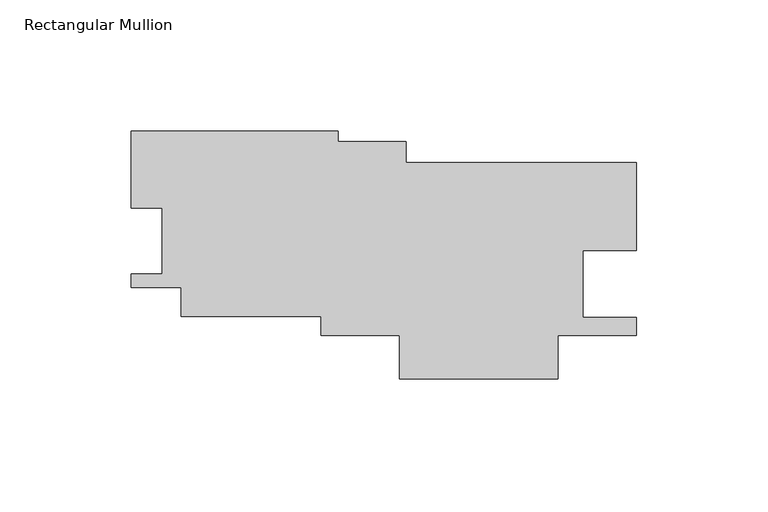
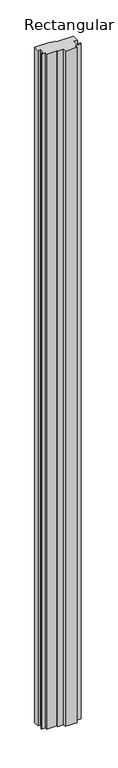
"""IFC4 building model written with IfcOpenShell, lengths in millimetres: member geometry, Rectangular Mullion."""

import ifcopenshell
import ifcopenshell.guid

model = None  # the IFC model being written
_history = None  # IfcOwnerHistory: only IFC2X3 demands one
_inside = {}  # id of a spatial element -> (the spatial element, [elements in it])
_under = {}  # id of a project, library or spatial element -> (it, [spatial elements below it])
_declared = {}  # id of a project -> (the project, [libraries it declares])
_typed = {}  # id of a type object -> (the type object, [elements of that type])
_made_of = {}  # id of a material, layer set ... -> (it, [elements and type objects made of it])


def new_model(schema):
    """Start an empty IFC model of exactly this schema.

    Asked for "IFC4X3", IfcOpenShell would pick the latest addendum, in which some entities
    have other attributes; the version numbers below select the first issue.
    IFC2X3 requires an IfcOwnerHistory on every rooted entity: one is made here for all.
    """
    global model, _history
    if schema == "IFC4X3":
        model = ifcopenshell.file(schema_version=(4, 3, 0, 0))
    else:
        model = ifcopenshell.file(schema=schema)
    _inside.clear()
    _under.clear()
    _declared.clear()
    _typed.clear()
    _made_of.clear()
    _history = None
    if model.schema == "IFC2X3":
        org = make("IfcOrganization", Name="unknown")
        user = make(
            "IfcPersonAndOrganization",
            ThePerson=make("IfcPerson", FamilyName="unknown"),
            TheOrganization=org,
        )
        app = make(
            "IfcApplication",
            ApplicationDeveloper=org,
            Version="unknown",
            ApplicationFullName="unknown",
            ApplicationIdentifier="unknown",
        )
        _history = make(
            "IfcOwnerHistory",
            OwningUser=user,
            OwningApplication=app,
            ChangeAction="ADDED",
            CreationDate=0,
        )
    return model


def make(cls, **values):
    """One entity of the class cls with the attributes given. An attribute that is None is left unset."""
    return model.create_entity(
        cls, **{name: value for name, value in values.items() if value is not None}
    )


def rooted(cls, **values):
    """An entity with a GlobalId (a new one), such as an element, a storey or a relation."""
    return make(cls, GlobalId=ifcopenshell.guid.new(), OwnerHistory=_history, **values)


def si_unit(unit_type, name, prefix=None):
    """IfcSIUnit, for example si_unit("LENGTHUNIT", "METRE", prefix="MILLI")."""
    return make("IfcSIUnit", UnitType=unit_type, Prefix=prefix, Name=name)


def assignment(units):
    """IfcUnitAssignment: the units of a project."""
    return None if units is None else make("IfcUnitAssignment", Units=units)


def point(xyz):
    """IfcCartesianPoint."""
    return None if xyz is None else make("IfcCartesianPoint", Coordinates=xyz)


def direction(xyz):
    """IfcDirection."""
    return None if xyz is None else make("IfcDirection", DirectionRatios=xyz)


def frame(location, z_axis=None, x_axis=None):
    """IfcAxis2Placement3D, a coordinate frame: its origin and axes. An axis left out is left unset."""
    return make(
        "IfcAxis2Placement3D",
        Location=point(location),
        Axis=direction(z_axis),
        RefDirection=direction(x_axis),
    )


def origin():
    """The frame at (0, 0, 0) with its axes left unset."""
    return frame((0.0, 0.0, 0.0))


def place(relative_to, where):
    """IfcLocalPlacement: puts the frame where relative to a parent placement (None: the world)."""
    return make(
        "IfcLocalPlacement", PlacementRelTo=relative_to, RelativePlacement=where
    )


def context(
    kind, dimensions, precision=None, world=None, true_north=None, identifier=None
):
    """IfcGeometricRepresentationContext, for example the 3D "Model" context."""
    return make(
        "IfcGeometricRepresentationContext",
        ContextIdentifier=identifier,
        ContextType=kind,
        CoordinateSpaceDimension=dimensions,
        Precision=precision,
        WorldCoordinateSystem=world,
        TrueNorth=true_north,
    )


def project(units=None, contexts=None):
    """IfcProject with its units and contexts."""
    return rooted(
        "IfcProject",
        Name="project",
        RepresentationContexts=contexts,
        UnitsInContext=assignment(units),
    )


def spatial(cls, under=None, at=None, **own):
    """A site, building, storey or space (cls), placed at a placement, below another one or the project."""
    s = rooted(cls, ObjectPlacement=at, **own)
    if under is not None:
        _under.setdefault(under.id(), (under, []))[1].append(s)
    return s


def polyline(points):
    """IfcPolyline through the points."""
    return make("IfcPolyline", Points=[point(p) for p in points])


def outline(outer, holes=None, kind="AREA"):
    """IfcArbitraryClosedProfileDef: a profile drawn as a closed curve; with holes, ...WithVoids."""
    if holes is None:
        return make("IfcArbitraryClosedProfileDef", ProfileType=kind, OuterCurve=outer)
    return make(
        "IfcArbitraryProfileDefWithVoids",
        ProfileType=kind,
        OuterCurve=outer,
        InnerCurves=holes,
    )


def extrude(swept, where, along, depth):
    """IfcExtrudedAreaSolid: the profile swept, set in the frame where, extruded along a direction by depth."""
    return make(
        "IfcExtrudedAreaSolid",
        SweptArea=swept,
        Position=where,
        ExtrudedDirection=direction(along),
        Depth=depth,
    )


def shape(context_of_items, identifier, shape_type, items):
    """IfcShapeRepresentation: the items that make up one representation, for example the "Body"."""
    return make(
        "IfcShapeRepresentation",
        ContextOfItems=context_of_items,
        RepresentationIdentifier=identifier,
        RepresentationType=shape_type,
        Items=items,
    )


def source(mapping_origin, context_of_items, identifier, shape_type, items):
    """IfcRepresentationMap: a shape defined once, which mapped items show again and again."""
    return make(
        "IfcRepresentationMap",
        MappingOrigin=mapping_origin,
        MappedRepresentation=shape(context_of_items, identifier, shape_type, items),
    )


def transform(
    local_origin,
    x_axis=None,
    y_axis=None,
    z_axis=None,
    scale=None,
    scale2=None,
    scale3=None,
    uniform=True,
):
    """IfcCartesianTransformationOperator3D, or its non-uniform kind. x_axis, y_axis, z_axis: its Axis1, 2, 3."""
    if uniform:
        return make(
            "IfcCartesianTransformationOperator3D",
            Axis1=direction(x_axis),
            Axis2=direction(y_axis),
            LocalOrigin=point(local_origin),
            Scale=scale,
            Axis3=direction(z_axis),
        )
    return make(
        "IfcCartesianTransformationOperator3DnonUniform",
        Axis1=direction(x_axis),
        Axis2=direction(y_axis),
        LocalOrigin=point(local_origin),
        Scale=scale,
        Axis3=direction(z_axis),
        Scale2=scale2,
        Scale3=scale3,
    )


def mapped(mapping_source, mapping_target):
    """IfcMappedItem: shows the shape of a source again, moved by a transform."""
    return make(
        "IfcMappedItem", MappingSource=mapping_source, MappingTarget=mapping_target
    )


def made_of(thing, what):
    """Note that an element or type object is made of a material, layer set ...; save() writes the relation."""
    if what is not None:
        _made_of.setdefault(what.id(), (what, []))[1].append(thing)
    return thing


def element(
    cls,
    number,
    at=None,
    inside=None,
    cuts=None,
    type_object=None,
    material=None,
    context=None,
    identifier="Body",
    shape_type=None,
    held_by="IfcProductDefinitionShape",
    body=None,
    shapes=None,
    **own,
):
    """One element of the class cls, such as IfcWall. Its Tag is "e" and its number.

    at: its placement. inside: the storey or other place that contains it. cuts: it is an
    opening in that element (IfcRelVoidsElement). A single representation is given by context,
    identifier, shape_type and body (its items); several are given by shapes. held_by: the class
    of the entity that holds the representations. save() writes the other relations.
    """
    e = rooted(cls, Tag="e%d" % number, ObjectPlacement=at, **own)
    if body is not None:
        shapes = [shape(context, identifier, shape_type, body)]
    if shapes is not None:
        e.Representation = make(held_by, Representations=shapes)
    if inside is not None:
        _inside.setdefault(inside.id(), (inside, []))[1].append(e)
    if cuts is not None:
        rooted(
            "IfcRelVoidsElement", RelatingBuildingElement=cuts, RelatedOpeningElement=e
        )
    if type_object is not None:
        _typed.setdefault(type_object.id(), (type_object, []))[1].append(e)
    return made_of(e, material)


def aggregate(whole, parts):
    """IfcRelAggregates: a whole, such as a stair, and the parts it consists of."""
    return rooted("IfcRelAggregates", RelatingObject=whole, RelatedObjects=parts)


def save(model, path):
    """Write the relations noted so far, then the file.

    IfcRelAggregates (storeys below a building ...), IfcRelContainedInSpatialStructure (elements
    in a storey), IfcRelDefinesByType, IfcRelAssociatesMaterial and IfcRelDeclares: one each for
    every whole, place, type object, material and project.
    """
    for whole, parts in _under.values():
        aggregate(whole, parts)
    for where, things in _inside.values():
        rooted(
            "IfcRelContainedInSpatialStructure",
            RelatedElements=things,
            RelatingStructure=where,
        )
    for kind, things in _typed.values():
        rooted("IfcRelDefinesByType", RelatedObjects=things, RelatingType=kind)
    for what, things in _made_of.values():
        rooted("IfcRelAssociatesMaterial", RelatedObjects=things, RelatingMaterial=what)
    for by, libraries in _declared.values():
        rooted("IfcRelDeclares", RelatingContext=by, RelatedDefinitions=libraries)
    model.write(path)


def rectangular_mullion_314afeba(model_context):
    return source(origin(), model_context, "Body", "SweptSolid", [
        extrude(outline(polyline([(-12.5945399, 47.0556373), (-12.5945399, 43.0364267), (13.2836095, 43.0364267), (13.2836095, 35.029524), (101.2477407, 35.029524), (101.2477407, 1.498655), (80.7451522, 1.498655), (80.7451522, -24.0493385), (101.1539339, -24.0493385), (101.1539339, -30.8899727), (71.2195067, -30.8899727), (71.2195067, -47.5262057), (10.8870514, -47.5262057), (10.8870514, -30.8899727), (-19.0473758, -30.8899727), (-19.0473758, -23.6433242), (-72.4507747, -23.6433242), (-72.4507747, -12.6189482), (-91.5021157, -12.6189482), (-91.5021157, -7.4115816), (-79.6178114, -7.4115816), (-79.6178114, 17.7425657), (-91.4916445, 17.7425657), (-91.4916445, 47.0556373), (-12.5945399, 47.0556373)])), frame((0.0, 0.0, -3657.6), z_axis=(0.0, 0.0, 1.0), x_axis=(1.0, 0.0, 0.0)), (0.0, 0.0, 1.0), 3657.6),
    ])


if __name__ == "__main__":
    model = new_model("IFC4")
    model_context = context("Model", 3, world=origin())
    ifc_project = project(units=[si_unit("LENGTHUNIT", "METRE", prefix="MILLI")], contexts=[model_context])
    site = spatial("IfcSite", under=ifc_project)
    building = spatial("IfcBuilding", under=site)
    placement = place(None, origin())
    rectangular_mullion_shape = rectangular_mullion_314afeba(model_context)
    element("IfcMember", 1, ObjectType="Rectangular Mullion", at=placement, inside=building, context=model_context, shape_type="MappedRepresentation", body=[
        mapped(rectangular_mullion_shape, transform((0.0, 0.0, 0.0), x_axis=(1.0, 0.0, 0.0), y_axis=(0.0, 1.0, 0.0), z_axis=(0.0, 0.0, 1.0))),
    ])
    save(model, "model.ifc")
